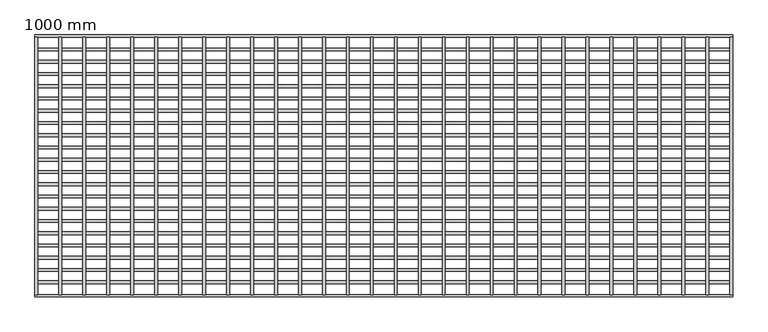
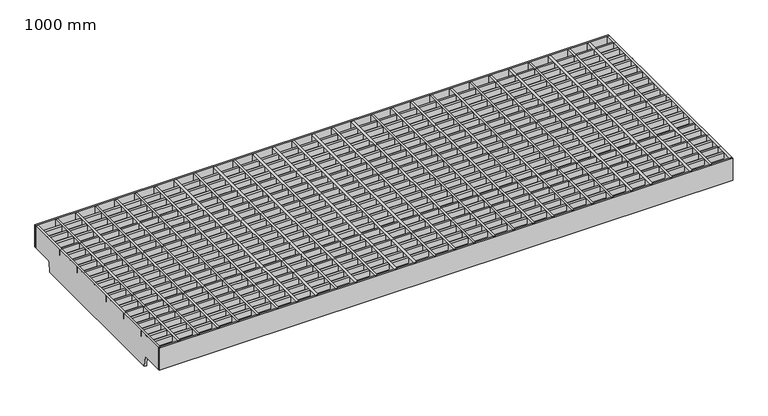
"""IFC4 building model written with IfcOpenShell, lengths in millimetres: proxy geometry, 1000 mm."""

from ifc_helpers import new_model, si_unit, point, frame, frame_2d, origin, place, context, project, spatial, polyline, circle_curve, trimmed, segment, composite_curve, outline, extrude, source, transform, mapped, element, save


def proxy_1000_mm_0512ca57(model_context):
    return source(origin(), model_context, "Body", "SweptSolid", [
        extrude(outline(composite_curve([segment(polyline([(-143.2064767, -60.0), (-144.796523, -41.8256885)]), True, "CONTINUOUS"), segment(trimmed(circle_curve(frame_2d((-146.7889123, -42.0)), 2.0), [point((-144.796523, -41.8256885))], [point((-146.7889123, -40.0))], True, "CARTESIAN"), True, "CONTINUOUS"), segment(polyline([(-146.7889123, -40.0), (-184.5, -40.0), (-184.5, 0.0), (184.5, 0.0), (184.5, -40.0), (146.7889123, -40.0)]), True, "CONTINUOUS"), segment(trimmed(circle_curve(frame_2d((146.7889123, -42.0)), 2.0), [point((146.7889123, -40.0))], [point((144.796523, -41.8256885))], True, "CARTESIAN"), True, "CONTINUOUS"), segment(polyline([(144.796523, -41.8256885), (143.2064767, -60.0), (-143.2064767, -60.0)]), True, "CONTINUOUS")], self_intersect=False)), frame((996.0, 0.0, 0.0), z_axis=(1.0, 0.0, 0.0), x_axis=(0.0, 1.0, 0.0)), (0.0, 0.0, 1.0), 4.0),
        extrude(outline(composite_curve([segment(polyline([(-143.2064767, -60.0), (-144.796523, -41.8256885)]), True, "CONTINUOUS"), segment(trimmed(circle_curve(frame_2d((-146.7889123, -42.0)), 2.0), [point((-144.796523, -41.8256885))], [point((-146.7889123, -40.0))], True, "CARTESIAN"), True, "CONTINUOUS"), segment(polyline([(-146.7889123, -40.0), (-184.5, -40.0), (-184.5, 0.0), (184.5, 0.0), (184.5, -40.0), (146.7889123, -40.0)]), True, "CONTINUOUS"), segment(trimmed(circle_curve(frame_2d((146.7889123, -42.0)), 2.0), [point((146.7889123, -40.0))], [point((144.796523, -41.8256885))], True, "CARTESIAN"), True, "CONTINUOUS"), segment(polyline([(144.796523, -41.8256885), (143.2064767, -60.0), (-143.2064767, -60.0)]), True, "CONTINUOUS")], self_intersect=False)), frame((961.6607143, 0.0, 0.0), z_axis=(1.0, 0.0, 0.0), x_axis=(0.0, 1.0, 0.0)), (0.0, 0.0, 1.0), 4.0),
        extrude(outline(composite_curve([segment(polyline([(-143.2064767, -60.0), (-144.796523, -41.8256885)]), True, "CONTINUOUS"), segment(trimmed(circle_curve(frame_2d((-146.7889123, -42.0)), 2.0), [point((-144.796523, -41.8256885))], [point((-146.7889123, -40.0))], True, "CARTESIAN"), True, "CONTINUOUS"), segment(polyline([(-146.7889123, -40.0), (-184.5, -40.0), (-184.5, 0.0), (184.5, 0.0), (184.5, -40.0), (146.7889123, -40.0)]), True, "CONTINUOUS"), segment(trimmed(circle_curve(frame_2d((146.7889123, -42.0)), 2.0), [point((146.7889123, -40.0))], [point((144.796523, -41.8256885))], True, "CARTESIAN"), True, "CONTINUOUS"), segment(polyline([(144.796523, -41.8256885), (143.2064767, -60.0), (-143.2064767, -60.0)]), True, "CONTINUOUS")], self_intersect=False)), frame((927.3214286, 0.0, 0.0), z_axis=(1.0, 0.0, 0.0), x_axis=(0.0, 1.0, 0.0)), (0.0, 0.0, 1.0), 4.0),
        extrude(outline(composite_curve([segment(polyline([(-143.2064767, -60.0), (-144.796523, -41.8256885)]), True, "CONTINUOUS"), segment(trimmed(circle_curve(frame_2d((-146.7889123, -42.0)), 2.0), [point((-144.796523, -41.8256885))], [point((-146.7889123, -40.0))], True, "CARTESIAN"), True, "CONTINUOUS"), segment(polyline([(-146.7889123, -40.0), (-184.5, -40.0), (-184.5, 0.0), (184.5, 0.0), (184.5, -40.0), (146.7889123, -40.0)]), True, "CONTINUOUS"), segment(trimmed(circle_curve(frame_2d((146.7889123, -42.0)), 2.0), [point((146.7889123, -40.0))], [point((144.796523, -41.8256885))], True, "CARTESIAN"), True, "CONTINUOUS"), segment(polyline([(144.796523, -41.8256885), (143.2064767, -60.0), (-143.2064767, -60.0)]), True, "CONTINUOUS")], self_intersect=False)), frame((892.9821429, 0.0, 0.0), z_axis=(1.0, 0.0, 0.0), x_axis=(0.0, 1.0, 0.0)), (0.0, 0.0, 1.0), 4.0),
        extrude(outline(composite_curve([segment(polyline([(-143.2064767, -60.0), (-144.796523, -41.8256885)]), True, "CONTINUOUS"), segment(trimmed(circle_curve(frame_2d((-146.7889123, -42.0)), 2.0), [point((-144.796523, -41.8256885))], [point((-146.7889123, -40.0))], True, "CARTESIAN"), True, "CONTINUOUS"), segment(polyline([(-146.7889123, -40.0), (-184.5, -40.0), (-184.5, 0.0), (184.5, 0.0), (184.5, -40.0), (146.7889123, -40.0)]), True, "CONTINUOUS"), segment(trimmed(circle_curve(frame_2d((146.7889123, -42.0)), 2.0), [point((146.7889123, -40.0))], [point((144.796523, -41.8256885))], True, "CARTESIAN"), True, "CONTINUOUS"), segment(polyline([(144.796523, -41.8256885), (143.2064767, -60.0), (-143.2064767, -60.0)]), True, "CONTINUOUS")], self_intersect=False)), frame((858.6428571, 0.0, 0.0), z_axis=(1.0, 0.0, 0.0), x_axis=(0.0, 1.0, 0.0)), (0.0, 0.0, 1.0), 4.0),
        extrude(outline(composite_curve([segment(polyline([(-143.2064767, -60.0), (-144.796523, -41.8256885)]), True, "CONTINUOUS"), segment(trimmed(circle_curve(frame_2d((-146.7889123, -42.0)), 2.0), [point((-144.796523, -41.8256885))], [point((-146.7889123, -40.0))], True, "CARTESIAN"), True, "CONTINUOUS"), segment(polyline([(-146.7889123, -40.0), (-184.5, -40.0), (-184.5, 0.0), (184.5, 0.0), (184.5, -40.0), (146.7889123, -40.0)]), True, "CONTINUOUS"), segment(trimmed(circle_curve(frame_2d((146.7889123, -42.0)), 2.0), [point((146.7889123, -40.0))], [point((144.796523, -41.8256885))], True, "CARTESIAN"), True, "CONTINUOUS"), segment(polyline([(144.796523, -41.8256885), (143.2064767, -60.0), (-143.2064767, -60.0)]), True, "CONTINUOUS")], self_intersect=False)), frame((824.3035714, 0.0, 0.0), z_axis=(1.0, 0.0, 0.0), x_axis=(0.0, 1.0, 0.0)), (0.0, 0.0, 1.0), 4.0),
        extrude(outline(composite_curve([segment(polyline([(-143.2064767, -60.0), (-144.796523, -41.8256885)]), True, "CONTINUOUS"), segment(trimmed(circle_curve(frame_2d((-146.7889123, -42.0)), 2.0), [point((-144.796523, -41.8256885))], [point((-146.7889123, -40.0))], True, "CARTESIAN"), True, "CONTINUOUS"), segment(polyline([(-146.7889123, -40.0), (-184.5, -40.0), (-184.5, 0.0), (184.5, 0.0), (184.5, -40.0), (146.7889123, -40.0)]), True, "CONTINUOUS"), segment(trimmed(circle_curve(frame_2d((146.7889123, -42.0)), 2.0), [point((146.7889123, -40.0))], [point((144.796523, -41.8256885))], True, "CARTESIAN"), True, "CONTINUOUS"), segment(polyline([(144.796523, -41.8256885), (143.2064767, -60.0), (-143.2064767, -60.0)]), True, "CONTINUOUS")], self_intersect=False)), frame((789.9642857, 0.0, 0.0), z_axis=(1.0, 0.0, 0.0), x_axis=(0.0, 1.0, 0.0)), (0.0, 0.0, 1.0), 4.0),
        extrude(outline(composite_curve([segment(polyline([(-143.2064767, -60.0), (-144.796523, -41.8256885)]), True, "CONTINUOUS"), segment(trimmed(circle_curve(frame_2d((-146.7889123, -42.0)), 2.0), [point((-144.796523, -41.8256885))], [point((-146.7889123, -40.0))], True, "CARTESIAN"), True, "CONTINUOUS"), segment(polyline([(-146.7889123, -40.0), (-184.5, -40.0), (-184.5, 0.0), (184.5, 0.0), (184.5, -40.0), (146.7889123, -40.0)]), True, "CONTINUOUS"), segment(trimmed(circle_curve(frame_2d((146.7889123, -42.0)), 2.0), [point((146.7889123, -40.0))], [point((144.796523, -41.8256885))], True, "CARTESIAN"), True, "CONTINUOUS"), segment(polyline([(144.796523, -41.8256885), (143.2064767, -60.0), (-143.2064767, -60.0)]), True, "CONTINUOUS")], self_intersect=False)), frame((755.625, 0.0, 0.0), z_axis=(1.0, 0.0, 0.0), x_axis=(0.0, 1.0, 0.0)), (0.0, 0.0, 1.0), 4.0),
        extrude(outline(composite_curve([segment(polyline([(-143.2064767, -60.0), (-144.796523, -41.8256885)]), True, "CONTINUOUS"), segment(trimmed(circle_curve(frame_2d((-146.7889123, -42.0)), 2.0), [point((-144.796523, -41.8256885))], [point((-146.7889123, -40.0))], True, "CARTESIAN"), True, "CONTINUOUS"), segment(polyline([(-146.7889123, -40.0), (-184.5, -40.0), (-184.5, 0.0), (184.5, 0.0), (184.5, -40.0), (146.7889123, -40.0)]), True, "CONTINUOUS"), segment(trimmed(circle_curve(frame_2d((146.7889123, -42.0)), 2.0), [point((146.7889123, -40.0))], [point((144.796523, -41.8256885))], True, "CARTESIAN"), True, "CONTINUOUS"), segment(polyline([(144.796523, -41.8256885), (143.2064767, -60.0), (-143.2064767, -60.0)]), True, "CONTINUOUS")], self_intersect=False)), frame((721.2857143, 0.0, 0.0), z_axis=(1.0, 0.0, 0.0), x_axis=(0.0, 1.0, 0.0)), (0.0, 0.0, 1.0), 4.0),
        extrude(outline(composite_curve([segment(polyline([(-143.2064767, -60.0), (-144.796523, -41.8256885)]), True, "CONTINUOUS"), segment(trimmed(circle_curve(frame_2d((-146.7889123, -42.0)), 2.0), [point((-144.796523, -41.8256885))], [point((-146.7889123, -40.0))], True, "CARTESIAN"), True, "CONTINUOUS"), segment(polyline([(-146.7889123, -40.0), (-184.5, -40.0), (-184.5, 0.0), (184.5, 0.0), (184.5, -40.0), (146.7889123, -40.0)]), True, "CONTINUOUS"), segment(trimmed(circle_curve(frame_2d((146.7889123, -42.0)), 2.0), [point((146.7889123, -40.0))], [point((144.796523, -41.8256885))], True, "CARTESIAN"), True, "CONTINUOUS"), segment(polyline([(144.796523, -41.8256885), (143.2064767, -60.0), (-143.2064767, -60.0)]), True, "CONTINUOUS")], self_intersect=False)), frame((686.9464286, 0.0, 0.0), z_axis=(1.0, 0.0, 0.0), x_axis=(0.0, 1.0, 0.0)), (0.0, 0.0, 1.0), 4.0),
        extrude(outline(composite_curve([segment(polyline([(-143.2064767, -60.0), (-144.796523, -41.8256885)]), True, "CONTINUOUS"), segment(trimmed(circle_curve(frame_2d((-146.7889123, -42.0)), 2.0), [point((-144.796523, -41.8256885))], [point((-146.7889123, -40.0))], True, "CARTESIAN"), True, "CONTINUOUS"), segment(polyline([(-146.7889123, -40.0), (-184.5, -40.0), (-184.5, 0.0), (184.5, 0.0), (184.5, -40.0), (146.7889123, -40.0)]), True, "CONTINUOUS"), segment(trimmed(circle_curve(frame_2d((146.7889123, -42.0)), 2.0), [point((146.7889123, -40.0))], [point((144.796523, -41.8256885))], True, "CARTESIAN"), True, "CONTINUOUS"), segment(polyline([(144.796523, -41.8256885), (143.2064767, -60.0), (-143.2064767, -60.0)]), True, "CONTINUOUS")], self_intersect=False)), frame((652.6071429, 0.0, 0.0), z_axis=(1.0, 0.0, 0.0), x_axis=(0.0, 1.0, 0.0)), (0.0, 0.0, 1.0), 4.0),
        extrude(outline(composite_curve([segment(polyline([(-143.2064767, -60.0), (-144.796523, -41.8256885)]), True, "CONTINUOUS"), segment(trimmed(circle_curve(frame_2d((-146.7889123, -42.0)), 2.0), [point((-144.796523, -41.8256885))], [point((-146.7889123, -40.0))], True, "CARTESIAN"), True, "CONTINUOUS"), segment(polyline([(-146.7889123, -40.0), (-184.5, -40.0), (-184.5, 0.0), (184.5, 0.0), (184.5, -40.0), (146.7889123, -40.0)]), True, "CONTINUOUS"), segment(trimmed(circle_curve(frame_2d((146.7889123, -42.0)), 2.0), [point((146.7889123, -40.0))], [point((144.796523, -41.8256885))], True, "CARTESIAN"), True, "CONTINUOUS"), segment(polyline([(144.796523, -41.8256885), (143.2064767, -60.0), (-143.2064767, -60.0)]), True, "CONTINUOUS")], self_intersect=False)), frame((618.2678571, 0.0, 0.0), z_axis=(1.0, 0.0, 0.0), x_axis=(0.0, 1.0, 0.0)), (0.0, 0.0, 1.0), 4.0),
        extrude(outline(composite_curve([segment(polyline([(-143.2064767, -60.0), (-144.796523, -41.8256885)]), True, "CONTINUOUS"), segment(trimmed(circle_curve(frame_2d((-146.7889123, -42.0)), 2.0), [point((-144.796523, -41.8256885))], [point((-146.7889123, -40.0))], True, "CARTESIAN"), True, "CONTINUOUS"), segment(polyline([(-146.7889123, -40.0), (-184.5, -40.0), (-184.5, 0.0), (184.5, 0.0), (184.5, -40.0), (146.7889123, -40.0)]), True, "CONTINUOUS"), segment(trimmed(circle_curve(frame_2d((146.7889123, -42.0)), 2.0), [point((146.7889123, -40.0))], [point((144.796523, -41.8256885))], True, "CARTESIAN"), True, "CONTINUOUS"), segment(polyline([(144.796523, -41.8256885), (143.2064767, -60.0), (-143.2064767, -60.0)]), True, "CONTINUOUS")], self_intersect=False)), frame((583.9285714, 0.0, 0.0), z_axis=(1.0, 0.0, 0.0), x_axis=(0.0, 1.0, 0.0)), (0.0, 0.0, 1.0), 4.0),
        extrude(outline(composite_curve([segment(polyline([(-143.2064767, -60.0), (-144.796523, -41.8256885)]), True, "CONTINUOUS"), segment(trimmed(circle_curve(frame_2d((-146.7889123, -42.0)), 2.0), [point((-144.796523, -41.8256885))], [point((-146.7889123, -40.0))], True, "CARTESIAN"), True, "CONTINUOUS"), segment(polyline([(-146.7889123, -40.0), (-184.5, -40.0), (-184.5, 0.0), (184.5, 0.0), (184.5, -40.0), (146.7889123, -40.0)]), True, "CONTINUOUS"), segment(trimmed(circle_curve(frame_2d((146.7889123, -42.0)), 2.0), [point((146.7889123, -40.0))], [point((144.796523, -41.8256885))], True, "CARTESIAN"), True, "CONTINUOUS"), segment(polyline([(144.796523, -41.8256885), (143.2064767, -60.0), (-143.2064767, -60.0)]), True, "CONTINUOUS")], self_intersect=False)), frame((549.5892857, 0.0, 0.0), z_axis=(1.0, 0.0, 0.0), x_axis=(0.0, 1.0, 0.0)), (0.0, 0.0, 1.0), 4.0),
        extrude(outline(composite_curve([segment(polyline([(-143.2064767, -60.0), (-144.796523, -41.8256885)]), True, "CONTINUOUS"), segment(trimmed(circle_curve(frame_2d((-146.7889123, -42.0)), 2.0), [point((-144.796523, -41.8256885))], [point((-146.7889123, -40.0))], True, "CARTESIAN"), True, "CONTINUOUS"), segment(polyline([(-146.7889123, -40.0), (-184.5, -40.0), (-184.5, 0.0), (184.5, 0.0), (184.5, -40.0), (146.7889123, -40.0)]), True, "CONTINUOUS"), segment(trimmed(circle_curve(frame_2d((146.7889123, -42.0)), 2.0), [point((146.7889123, -40.0))], [point((144.796523, -41.8256885))], True, "CARTESIAN"), True, "CONTINUOUS"), segment(polyline([(144.796523, -41.8256885), (143.2064767, -60.0), (-143.2064767, -60.0)]), True, "CONTINUOUS")], self_intersect=False)), frame((515.25, 0.0, 0.0), z_axis=(1.0, 0.0, 0.0), x_axis=(0.0, 1.0, 0.0)), (0.0, 0.0, 1.0), 4.0),
        extrude(outline(composite_curve([segment(polyline([(-143.2064767, -60.0), (-144.796523, -41.8256885)]), True, "CONTINUOUS"), segment(trimmed(circle_curve(frame_2d((-146.7889123, -42.0)), 2.0), [point((-144.796523, -41.8256885))], [point((-146.7889123, -40.0))], True, "CARTESIAN"), True, "CONTINUOUS"), segment(polyline([(-146.7889123, -40.0), (-184.5, -40.0), (-184.5, 0.0), (184.5, 0.0), (184.5, -40.0), (146.7889123, -40.0)]), True, "CONTINUOUS"), segment(trimmed(circle_curve(frame_2d((146.7889123, -42.0)), 2.0), [point((146.7889123, -40.0))], [point((144.796523, -41.8256885))], True, "CARTESIAN"), True, "CONTINUOUS"), segment(polyline([(144.796523, -41.8256885), (143.2064767, -60.0), (-143.2064767, -60.0)]), True, "CONTINUOUS")], self_intersect=False)), frame((480.9107143, 0.0, 0.0), z_axis=(1.0, 0.0, 0.0), x_axis=(0.0, 1.0, 0.0)), (0.0, 0.0, 1.0), 4.0),
        extrude(outline(composite_curve([segment(polyline([(-143.2064767, -60.0), (-144.796523, -41.8256885)]), True, "CONTINUOUS"), segment(trimmed(circle_curve(frame_2d((-146.7889123, -42.0)), 2.0), [point((-144.796523, -41.8256885))], [point((-146.7889123, -40.0))], True, "CARTESIAN"), True, "CONTINUOUS"), segment(polyline([(-146.7889123, -40.0), (-184.5, -40.0), (-184.5, 0.0), (184.5, 0.0), (184.5, -40.0), (146.7889123, -40.0)]), True, "CONTINUOUS"), segment(trimmed(circle_curve(frame_2d((146.7889123, -42.0)), 2.0), [point((146.7889123, -40.0))], [point((144.796523, -41.8256885))], True, "CARTESIAN"), True, "CONTINUOUS"), segment(polyline([(144.796523, -41.8256885), (143.2064767, -60.0), (-143.2064767, -60.0)]), True, "CONTINUOUS")], self_intersect=False)), frame((446.5714286, 0.0, 0.0), z_axis=(1.0, 0.0, 0.0), x_axis=(0.0, 1.0, 0.0)), (0.0, 0.0, 1.0), 4.0),
        extrude(outline(composite_curve([segment(polyline([(-143.2064767, -60.0), (-144.796523, -41.8256885)]), True, "CONTINUOUS"), segment(trimmed(circle_curve(frame_2d((-146.7889123, -42.0)), 2.0), [point((-144.796523, -41.8256885))], [point((-146.7889123, -40.0))], True, "CARTESIAN"), True, "CONTINUOUS"), segment(polyline([(-146.7889123, -40.0), (-184.5, -40.0), (-184.5, 0.0), (184.5, 0.0), (184.5, -40.0), (146.7889123, -40.0)]), True, "CONTINUOUS"), segment(trimmed(circle_curve(frame_2d((146.7889123, -42.0)), 2.0), [point((146.7889123, -40.0))], [point((144.796523, -41.8256885))], True, "CARTESIAN"), True, "CONTINUOUS"), segment(polyline([(144.796523, -41.8256885), (143.2064767, -60.0), (-143.2064767, -60.0)]), True, "CONTINUOUS")], self_intersect=False)), frame((412.2321429, 0.0, 0.0), z_axis=(1.0, 0.0, 0.0), x_axis=(0.0, 1.0, 0.0)), (0.0, 0.0, 1.0), 4.0),
        extrude(outline(composite_curve([segment(polyline([(-143.2064767, -60.0), (-144.796523, -41.8256885)]), True, "CONTINUOUS"), segment(trimmed(circle_curve(frame_2d((-146.7889123, -42.0)), 2.0), [point((-144.796523, -41.8256885))], [point((-146.7889123, -40.0))], True, "CARTESIAN"), True, "CONTINUOUS"), segment(polyline([(-146.7889123, -40.0), (-184.5, -40.0), (-184.5, 0.0), (184.5, 0.0), (184.5, -40.0), (146.7889123, -40.0)]), True, "CONTINUOUS"), segment(trimmed(circle_curve(frame_2d((146.7889123, -42.0)), 2.0), [point((146.7889123, -40.0))], [point((144.796523, -41.8256885))], True, "CARTESIAN"), True, "CONTINUOUS"), segment(polyline([(144.796523, -41.8256885), (143.2064767, -60.0), (-143.2064767, -60.0)]), True, "CONTINUOUS")], self_intersect=False)), frame((377.8928571, 0.0, 0.0), z_axis=(1.0, 0.0, 0.0), x_axis=(0.0, 1.0, 0.0)), (0.0, 0.0, 1.0), 4.0),
        extrude(outline(composite_curve([segment(polyline([(-143.2064767, -60.0), (-144.796523, -41.8256885)]), True, "CONTINUOUS"), segment(trimmed(circle_curve(frame_2d((-146.7889123, -42.0)), 2.0), [point((-144.796523, -41.8256885))], [point((-146.7889123, -40.0))], True, "CARTESIAN"), True, "CONTINUOUS"), segment(polyline([(-146.7889123, -40.0), (-184.5, -40.0), (-184.5, 0.0), (184.5, 0.0), (184.5, -40.0), (146.7889123, -40.0)]), True, "CONTINUOUS"), segment(trimmed(circle_curve(frame_2d((146.7889123, -42.0)), 2.0), [point((146.7889123, -40.0))], [point((144.796523, -41.8256885))], True, "CARTESIAN"), True, "CONTINUOUS"), segment(polyline([(144.796523, -41.8256885), (143.2064767, -60.0), (-143.2064767, -60.0)]), True, "CONTINUOUS")], self_intersect=False)), frame((343.5535714, 0.0, 0.0), z_axis=(1.0, 0.0, 0.0), x_axis=(0.0, 1.0, 0.0)), (0.0, 0.0, 1.0), 4.0),
        extrude(outline(composite_curve([segment(polyline([(-143.2064767, -60.0), (-144.796523, -41.8256885)]), True, "CONTINUOUS"), segment(trimmed(circle_curve(frame_2d((-146.7889123, -42.0)), 2.0), [point((-144.796523, -41.8256885))], [point((-146.7889123, -40.0))], True, "CARTESIAN"), True, "CONTINUOUS"), segment(polyline([(-146.7889123, -40.0), (-184.5, -40.0), (-184.5, 0.0), (184.5, 0.0), (184.5, -40.0), (146.7889123, -40.0)]), True, "CONTINUOUS"), segment(trimmed(circle_curve(frame_2d((146.7889123, -42.0)), 2.0), [point((146.7889123, -40.0))], [point((144.796523, -41.8256885))], True, "CARTESIAN"), True, "CONTINUOUS"), segment(polyline([(144.796523, -41.8256885), (143.2064767, -60.0), (-143.2064767, -60.0)]), True, "CONTINUOUS")], self_intersect=False)), frame((309.2142857, 0.0, 0.0), z_axis=(1.0, 0.0, 0.0), x_axis=(0.0, 1.0, 0.0)), (0.0, 0.0, 1.0), 4.0),
        extrude(outline(composite_curve([segment(polyline([(-143.2064767, -60.0), (-144.796523, -41.8256885)]), True, "CONTINUOUS"), segment(trimmed(circle_curve(frame_2d((-146.7889123, -42.0)), 2.0), [point((-144.796523, -41.8256885))], [point((-146.7889123, -40.0))], True, "CARTESIAN"), True, "CONTINUOUS"), segment(polyline([(-146.7889123, -40.0), (-184.5, -40.0), (-184.5, 0.0), (184.5, 0.0), (184.5, -40.0), (146.7889123, -40.0)]), True, "CONTINUOUS"), segment(trimmed(circle_curve(frame_2d((146.7889123, -42.0)), 2.0), [point((146.7889123, -40.0))], [point((144.796523, -41.8256885))], True, "CARTESIAN"), True, "CONTINUOUS"), segment(polyline([(144.796523, -41.8256885), (143.2064767, -60.0), (-143.2064767, -60.0)]), True, "CONTINUOUS")], self_intersect=False)), frame((274.875, 0.0, 0.0), z_axis=(1.0, 0.0, 0.0), x_axis=(0.0, 1.0, 0.0)), (0.0, 0.0, 1.0), 4.0),
        extrude(outline(composite_curve([segment(polyline([(-143.2064767, -60.0), (-144.796523, -41.8256885)]), True, "CONTINUOUS"), segment(trimmed(circle_curve(frame_2d((-146.7889123, -42.0)), 2.0), [point((-144.796523, -41.8256885))], [point((-146.7889123, -40.0))], True, "CARTESIAN"), True, "CONTINUOUS"), segment(polyline([(-146.7889123, -40.0), (-184.5, -40.0), (-184.5, 0.0), (184.5, 0.0), (184.5, -40.0), (146.7889123, -40.0)]), True, "CONTINUOUS"), segment(trimmed(circle_curve(frame_2d((146.7889123, -42.0)), 2.0), [point((146.7889123, -40.0))], [point((144.796523, -41.8256885))], True, "CARTESIAN"), True, "CONTINUOUS"), segment(polyline([(144.796523, -41.8256885), (143.2064767, -60.0), (-143.2064767, -60.0)]), True, "CONTINUOUS")], self_intersect=False)), frame((240.5357143, 0.0, 0.0), z_axis=(1.0, 0.0, 0.0), x_axis=(0.0, 1.0, 0.0)), (0.0, 0.0, 1.0), 4.0),
        extrude(outline(composite_curve([segment(polyline([(-143.2064767, -60.0), (-144.796523, -41.8256885)]), True, "CONTINUOUS"), segment(trimmed(circle_curve(frame_2d((-146.7889123, -42.0)), 2.0), [point((-144.796523, -41.8256885))], [point((-146.7889123, -40.0))], True, "CARTESIAN"), True, "CONTINUOUS"), segment(polyline([(-146.7889123, -40.0), (-184.5, -40.0), (-184.5, 0.0), (184.5, 0.0), (184.5, -40.0), (146.7889123, -40.0)]), True, "CONTINUOUS"), segment(trimmed(circle_curve(frame_2d((146.7889123, -42.0)), 2.0), [point((146.7889123, -40.0))], [point((144.796523, -41.8256885))], True, "CARTESIAN"), True, "CONTINUOUS"), segment(polyline([(144.796523, -41.8256885), (143.2064767, -60.0), (-143.2064767, -60.0)]), True, "CONTINUOUS")], self_intersect=False)), frame((0.0, 0.0, 0.0), z_axis=(1.0, 0.0, 0.0), x_axis=(0.0, 1.0, 0.0)), (0.0, 0.0, 1.0), 4.0),
        extrude(outline(composite_curve([segment(polyline([(-143.2064767, -60.0), (-144.796523, -41.8256885)]), True, "CONTINUOUS"), segment(trimmed(circle_curve(frame_2d((-146.7889123, -42.0)), 2.0), [point((-144.796523, -41.8256885))], [point((-146.7889123, -40.0))], True, "CARTESIAN"), True, "CONTINUOUS"), segment(polyline([(-146.7889123, -40.0), (-184.5, -40.0), (-184.5, 0.0), (184.5, 0.0), (184.5, -40.0), (146.7889123, -40.0)]), True, "CONTINUOUS"), segment(trimmed(circle_curve(frame_2d((146.7889123, -42.0)), 2.0), [point((146.7889123, -40.0))], [point((144.796523, -41.8256885))], True, "CARTESIAN"), True, "CONTINUOUS"), segment(polyline([(144.796523, -41.8256885), (143.2064767, -60.0), (-143.2064767, -60.0)]), True, "CONTINUOUS")], self_intersect=False)), frame((34.5, 0.0, 0.0), z_axis=(1.0, 0.0, 0.0), x_axis=(0.0, 1.0, 0.0)), (0.0, 0.0, 1.0), 4.0),
        extrude(outline(composite_curve([segment(polyline([(-143.2064767, -60.0), (-144.796523, -41.8256885)]), True, "CONTINUOUS"), segment(trimmed(circle_curve(frame_2d((-146.7889123, -42.0)), 2.0), [point((-144.796523, -41.8256885))], [point((-146.7889123, -40.0))], True, "CARTESIAN"), True, "CONTINUOUS"), segment(polyline([(-146.7889123, -40.0), (-184.5, -40.0), (-184.5, 0.0), (184.5, 0.0), (184.5, -40.0), (146.7889123, -40.0)]), True, "CONTINUOUS"), segment(trimmed(circle_curve(frame_2d((146.7889123, -42.0)), 2.0), [point((146.7889123, -40.0))], [point((144.796523, -41.8256885))], True, "CARTESIAN"), True, "CONTINUOUS"), segment(polyline([(144.796523, -41.8256885), (143.2064767, -60.0), (-143.2064767, -60.0)]), True, "CONTINUOUS")], self_intersect=False)), frame((68.8392857, 0.0, 0.0), z_axis=(1.0, 0.0, 0.0), x_axis=(0.0, 1.0, 0.0)), (0.0, 0.0, 1.0), 4.0),
        extrude(outline(composite_curve([segment(polyline([(-143.2064767, -60.0), (-144.796523, -41.8256885)]), True, "CONTINUOUS"), segment(trimmed(circle_curve(frame_2d((-146.7889123, -42.0)), 2.0), [point((-144.796523, -41.8256885))], [point((-146.7889123, -40.0))], True, "CARTESIAN"), True, "CONTINUOUS"), segment(polyline([(-146.7889123, -40.0), (-184.5, -40.0), (-184.5, 0.0), (184.5, 0.0), (184.5, -40.0), (146.7889123, -40.0)]), True, "CONTINUOUS"), segment(trimmed(circle_curve(frame_2d((146.7889123, -42.0)), 2.0), [point((146.7889123, -40.0))], [point((144.796523, -41.8256885))], True, "CARTESIAN"), True, "CONTINUOUS"), segment(polyline([(144.796523, -41.8256885), (143.2064767, -60.0), (-143.2064767, -60.0)]), True, "CONTINUOUS")], self_intersect=False)), frame((103.1785714, 0.0, 0.0), z_axis=(1.0, 0.0, 0.0), x_axis=(0.0, 1.0, 0.0)), (0.0, 0.0, 1.0), 4.0),
        extrude(outline(composite_curve([segment(polyline([(-143.2064767, -60.0), (-144.796523, -41.8256885)]), True, "CONTINUOUS"), segment(trimmed(circle_curve(frame_2d((-146.7889123, -42.0)), 2.0), [point((-144.796523, -41.8256885))], [point((-146.7889123, -40.0))], True, "CARTESIAN"), True, "CONTINUOUS"), segment(polyline([(-146.7889123, -40.0), (-184.5, -40.0), (-184.5, 0.0), (184.5, 0.0), (184.5, -40.0), (146.7889123, -40.0)]), True, "CONTINUOUS"), segment(trimmed(circle_curve(frame_2d((146.7889123, -42.0)), 2.0), [point((146.7889123, -40.0))], [point((144.796523, -41.8256885))], True, "CARTESIAN"), True, "CONTINUOUS"), segment(polyline([(144.796523, -41.8256885), (143.2064767, -60.0), (-143.2064767, -60.0)]), True, "CONTINUOUS")], self_intersect=False)), frame((137.5178571, 0.0, 0.0), z_axis=(1.0, 0.0, 0.0), x_axis=(0.0, 1.0, 0.0)), (0.0, 0.0, 1.0), 4.0),
        extrude(outline(composite_curve([segment(polyline([(-143.2064767, -60.0), (-144.796523, -41.8256885)]), True, "CONTINUOUS"), segment(trimmed(circle_curve(frame_2d((-146.7889123, -42.0)), 2.0), [point((-144.796523, -41.8256885))], [point((-146.7889123, -40.0))], True, "CARTESIAN"), True, "CONTINUOUS"), segment(polyline([(-146.7889123, -40.0), (-184.5, -40.0), (-184.5, 0.0), (184.5, 0.0), (184.5, -40.0), (146.7889123, -40.0)]), True, "CONTINUOUS"), segment(trimmed(circle_curve(frame_2d((146.7889123, -42.0)), 2.0), [point((146.7889123, -40.0))], [point((144.796523, -41.8256885))], True, "CARTESIAN"), True, "CONTINUOUS"), segment(polyline([(144.796523, -41.8256885), (143.2064767, -60.0), (-143.2064767, -60.0)]), True, "CONTINUOUS")], self_intersect=False)), frame((171.8571429, 0.0, 0.0), z_axis=(1.0, 0.0, 0.0), x_axis=(0.0, 1.0, 0.0)), (0.0, 0.0, 1.0), 4.0),
        extrude(outline(composite_curve([segment(polyline([(-143.2064767, -60.0), (-144.796523, -41.8256885)]), True, "CONTINUOUS"), segment(trimmed(circle_curve(frame_2d((-146.7889123, -42.0)), 2.0), [point((-144.796523, -41.8256885))], [point((-146.7889123, -40.0))], True, "CARTESIAN"), True, "CONTINUOUS"), segment(polyline([(-146.7889123, -40.0), (-184.5, -40.0), (-184.5, 0.0), (184.5, 0.0), (184.5, -40.0), (146.7889123, -40.0)]), True, "CONTINUOUS"), segment(trimmed(circle_curve(frame_2d((146.7889123, -42.0)), 2.0), [point((146.7889123, -40.0))], [point((144.796523, -41.8256885))], True, "CARTESIAN"), True, "CONTINUOUS"), segment(polyline([(144.796523, -41.8256885), (143.2064767, -60.0), (-143.2064767, -60.0)]), True, "CONTINUOUS")], self_intersect=False)), frame((206.1964286, 0.0, 0.0), z_axis=(1.0, 0.0, 0.0), x_axis=(0.0, 1.0, 0.0)), (0.0, 0.0, 1.0), 4.0),
        extrude(outline(polyline([(1000.0, 187.5), (1000.0, 184.5), (0.0, 184.5), (0.0, 187.5), (1000.0, 187.5)])), frame((0.0, 0.0, -40.0), z_axis=(0.0, 0.0, 1.0), x_axis=(1.0, 0.0, 0.0)), (0.0, 0.0, 1.0), 40.0),
        extrude(outline(polyline([(1000.0, -184.5), (1000.0, -187.5), (0.0, -187.5), (0.0, -184.5), (1000.0, -184.5)])), frame((0.0, 0.0, -40.0), z_axis=(0.0, 0.0, 1.0), x_axis=(1.0, 0.0, 0.0)), (0.0, 0.0, 1.0), 40.0),
        extrude(outline(polyline([(1000.0, -164.90625), (1000.0, -168.90625), (0.0, -168.90625), (0.0, -164.90625), (1000.0, -164.90625)])), frame((0.0, 0.0, -10.0), z_axis=(0.0, 0.0, 1.0), x_axis=(1.0, 0.0, 0.0)), (0.0, 0.0, 1.0), 10.0),
        extrude(outline(polyline([(1000.0, -147.35625), (1000.0, -151.35625), (0.0, -151.35625), (0.0, -147.35625), (1000.0, -147.35625)])), frame((0.0, 0.0, -10.0), z_axis=(0.0, 0.0, 1.0), x_axis=(1.0, 0.0, 0.0)), (0.0, 0.0, 1.0), 10.0),
        extrude(outline(polyline([(1000.0, -129.80625), (1000.0, -133.80625), (0.0, -133.80625), (0.0, -129.80625), (1000.0, -129.80625)])), frame((0.0, 0.0, -10.0), z_axis=(0.0, 0.0, 1.0), x_axis=(1.0, 0.0, 0.0)), (0.0, 0.0, 1.0), 10.0),
        extrude(outline(polyline([(1000.0, -112.25625), (1000.0, -116.25625), (0.0, -116.25625), (0.0, -112.25625), (1000.0, -112.25625)])), frame((0.0, 0.0, -10.0), z_axis=(0.0, 0.0, 1.0), x_axis=(1.0, 0.0, 0.0)), (0.0, 0.0, 1.0), 10.0),
        extrude(outline(polyline([(1000.0, -94.70625), (1000.0, -98.70625), (0.0, -98.70625), (0.0, -94.70625), (1000.0, -94.70625)])), frame((0.0, 0.0, -10.0), z_axis=(0.0, 0.0, 1.0), x_axis=(1.0, 0.0, 0.0)), (0.0, 0.0, 1.0), 10.0),
        extrude(outline(polyline([(1000.0, -77.15625), (1000.0, -81.15625), (0.0, -81.15625), (0.0, -77.15625), (1000.0, -77.15625)])), frame((0.0, 0.0, -10.0), z_axis=(0.0, 0.0, 1.0), x_axis=(1.0, 0.0, 0.0)), (0.0, 0.0, 1.0), 10.0),
        extrude(outline(polyline([(1000.0, -59.60625), (1000.0, -63.60625), (0.0, -63.60625), (0.0, -59.60625), (1000.0, -59.60625)])), frame((0.0, 0.0, -10.0), z_axis=(0.0, 0.0, 1.0), x_axis=(1.0, 0.0, 0.0)), (0.0, 0.0, 1.0), 10.0),
        extrude(outline(polyline([(1000.0, -42.05625), (1000.0, -46.05625), (0.0, -46.05625), (0.0, -42.05625), (1000.0, -42.05625)])), frame((0.0, 0.0, -10.0), z_axis=(0.0, 0.0, 1.0), x_axis=(1.0, 0.0, 0.0)), (0.0, 0.0, 1.0), 10.0),
        extrude(outline(polyline([(1000.0, -24.50625), (1000.0, -28.50625), (0.0, -28.50625), (0.0, -24.50625), (1000.0, -24.50625)])), frame((0.0, 0.0, -10.0), z_axis=(0.0, 0.0, 1.0), x_axis=(1.0, 0.0, 0.0)), (0.0, 0.0, 1.0), 10.0),
        extrude(outline(polyline([(1000.0, -6.95625), (1000.0, -10.95625), (0.0, -10.95625), (0.0, -6.95625), (1000.0, -6.95625)])), frame((0.0, 0.0, -10.0), z_axis=(0.0, 0.0, 1.0), x_axis=(1.0, 0.0, 0.0)), (0.0, 0.0, 1.0), 10.0),
        extrude(outline(polyline([(1000.0, 10.59375), (1000.0, 6.59375), (0.0, 6.59375), (0.0, 10.59375), (1000.0, 10.59375)])), frame((0.0, 0.0, -10.0), z_axis=(0.0, 0.0, 1.0), x_axis=(1.0, 0.0, 0.0)), (0.0, 0.0, 1.0), 10.0),
        extrude(outline(polyline([(1000.0, 28.14375), (1000.0, 24.14375), (0.0, 24.14375), (0.0, 28.14375), (1000.0, 28.14375)])), frame((0.0, 0.0, -10.0), z_axis=(0.0, 0.0, 1.0), x_axis=(1.0, 0.0, 0.0)), (0.0, 0.0, 1.0), 10.0),
        extrude(outline(polyline([(1000.0, 45.69375), (1000.0, 41.69375), (0.0, 41.69375), (0.0, 45.69375), (1000.0, 45.69375)])), frame((0.0, 0.0, -10.0), z_axis=(0.0, 0.0, 1.0), x_axis=(1.0, 0.0, 0.0)), (0.0, 0.0, 1.0), 10.0),
        extrude(outline(polyline([(1000.0, 63.24375), (1000.0, 59.24375), (0.0, 59.24375), (0.0, 63.24375), (1000.0, 63.24375)])), frame((0.0, 0.0, -10.0), z_axis=(0.0, 0.0, 1.0), x_axis=(1.0, 0.0, 0.0)), (0.0, 0.0, 1.0), 10.0),
        extrude(outline(polyline([(1000.0, 80.79375), (1000.0, 76.79375), (0.0, 76.79375), (0.0, 80.79375), (1000.0, 80.79375)])), frame((0.0, 0.0, -10.0), z_axis=(0.0, 0.0, 1.0), x_axis=(1.0, 0.0, 0.0)), (0.0, 0.0, 1.0), 10.0),
        extrude(outline(polyline([(1000.0, 98.34375), (1000.0, 94.34375), (0.0, 94.34375), (0.0, 98.34375), (1000.0, 98.34375)])), frame((0.0, 0.0, -10.0), z_axis=(0.0, 0.0, 1.0), x_axis=(1.0, 0.0, 0.0)), (0.0, 0.0, 1.0), 10.0),
        extrude(outline(polyline([(1000.0, 115.89375), (1000.0, 111.89375), (0.0, 111.89375), (0.0, 115.89375), (1000.0, 115.89375)])), frame((0.0, 0.0, -10.0), z_axis=(0.0, 0.0, 1.0), x_axis=(1.0, 0.0, 0.0)), (0.0, 0.0, 1.0), 10.0),
        extrude(outline(polyline([(1000.0, 133.44375), (1000.0, 129.44375), (0.0, 129.44375), (0.0, 133.44375), (1000.0, 133.44375)])), frame((0.0, 0.0, -10.0), z_axis=(0.0, 0.0, 1.0), x_axis=(1.0, 0.0, 0.0)), (0.0, 0.0, 1.0), 10.0),
        extrude(outline(polyline([(1000.0, 150.99375), (1000.0, 146.99375), (0.0, 146.99375), (0.0, 150.99375), (1000.0, 150.99375)])), frame((0.0, 0.0, -10.0), z_axis=(0.0, 0.0, 1.0), x_axis=(1.0, 0.0, 0.0)), (0.0, 0.0, 1.0), 10.0),
        extrude(outline(polyline([(1000.0, 168.54375), (1000.0, 164.54375), (0.0, 164.54375), (0.0, 168.54375), (1000.0, 168.54375)])), frame((0.0, 0.0, -10.0), z_axis=(0.0, 0.0, 1.0), x_axis=(1.0, 0.0, 0.0)), (0.0, 0.0, 1.0), 10.0),
    ])


if __name__ == "__main__":
    model = new_model("IFC4")
    model_context = context("Model", 3, world=origin())
    ifc_project = project(units=[si_unit("LENGTHUNIT", "METRE", prefix="MILLI")], contexts=[model_context])
    site = spatial("IfcSite", under=ifc_project)
    building = spatial("IfcBuilding", under=site)
    placement = place(None, origin())
    proxy_1000_mm_shape = proxy_1000_mm_0512ca57(model_context)
    element("IfcBuildingElementProxy", 1, Name="1000 mm", ObjectType="1000 mm", at=placement, inside=building, context=model_context, shape_type="MappedRepresentation", body=[
        mapped(proxy_1000_mm_shape, transform((0.0, 0.0, 0.0), x_axis=(1.0, 0.0, 0.0), y_axis=(0.0, 1.0, 0.0), z_axis=(0.0, 0.0, 1.0))),
    ])
    save(model, "model.ifc")
